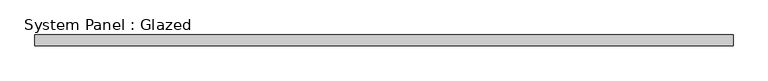
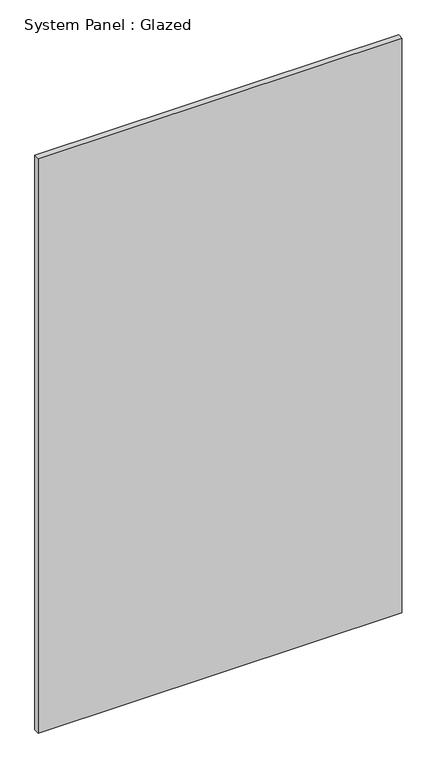
"""IFC4 building model written with IfcOpenShell, lengths in millimetres: plate geometry, System Panel : Glazed."""

from ifc_helpers import new_model, si_unit, origin, origin_with_axes, place, context, project, spatial, polyline, outline, extrude, source, transform, mapped, element, save


def system_panel_glazed_71bc1bdf(model_context):
    return source(origin(), model_context, "Body", "SweptSolid", [
        extrude(outline(polyline([(808.5371256, -49.5), (-808.5371256, -49.5), (-808.5371256, -24.5), (808.5371256, -24.5), (808.5371256, -49.5)])), origin_with_axes(), (0.0, 0.0, 1.0), 2700.0),
    ])


if __name__ == "__main__":
    model = new_model("IFC4")
    model_context = context("Model", 3, world=origin())
    ifc_project = project(units=[si_unit("LENGTHUNIT", "METRE", prefix="MILLI")], contexts=[model_context])
    site = spatial("IfcSite", under=ifc_project)
    building = spatial("IfcBuilding", under=site)
    placement = place(None, origin())
    system_panel_glazed_shape = system_panel_glazed_71bc1bdf(model_context)
    element("IfcPlate", 1, ObjectType="System Panel : Glazed", at=placement, inside=building, context=model_context, shape_type="MappedRepresentation", body=[
        mapped(system_panel_glazed_shape, transform((0.0, 0.0, 0.0), x_axis=(1.0, 0.0, 0.0), y_axis=(0.0, 1.0, 0.0), z_axis=(0.0, 0.0, 1.0))),
    ])
    save(model, "model.ifc")
